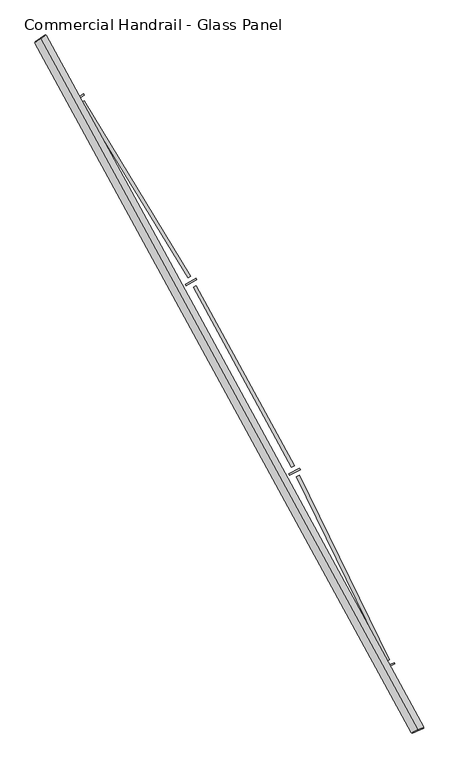
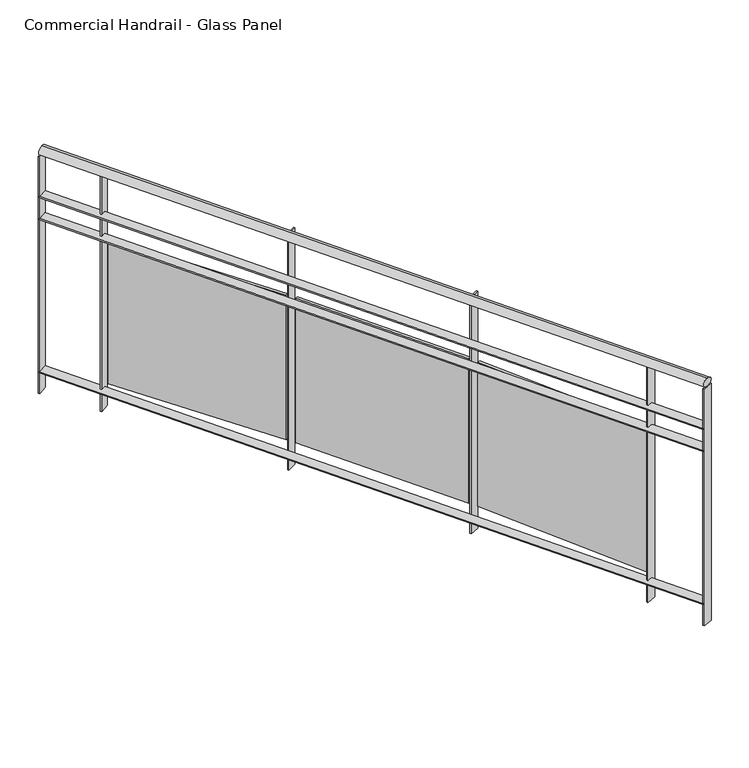
"""IFC4 building model written with IfcOpenShell, lengths in millimetres: railing geometry, Commercial Handrail - Glass Panel."""

from ifc_helpers import new_model, si_unit, point, frame, origin, place, context, project, spatial, polyline, circle_curve, ellipse_curve, trimmed, outline, extrude, source, transform, mapped, element, save
from ifc_brep_helpers import plane_surface, cylinder_surface, revolved_surface, advanced_brep


def commercial_handrail_glass_panel_49a42c38(model_context):
    return source(origin(), model_context, "Body", "SolidModel", [
        advanced_brep(
        [(152681.2087099, -42805.7971709, 6082.5), (154079.9485011, -45365.2391742, 6082.5), (154079.9485011, -45365.2391742, 6117.5), (152681.2087099, -42805.7971709, 6117.5)],
        [
            (0, 1, circle_curve(frame((138512.5563245, -52210.9198633, 6082.5), z_axis=(0.0, 0.0, -1.0), x_axis=(0.9154011077709024, 0.40254293173747885, 0.0)), 17006.0884179)),
            (1, 2, ellipse_curve(frame((154079.9485011, -45365.2391742, 6100.0), z_axis=(-0.4025429317374864, 0.9154011077708993, 0.0), x_axis=(0.9154011077708991, 0.4025429317374863, 0.0)), 25.0, 17.5)),
            (2, 3, circle_curve(frame((138512.5563245, -52210.9198633, 6117.5), z_axis=(0.0, 0.0, 1.0), x_axis=(0.9154011077709024, 0.40254293173747885, 0.0)), 17006.0884179)),
            (3, 0, ellipse_curve(frame((152681.2087099, -42805.7971709, 6100.0), z_axis=(0.5530444427532956, -0.8331517534877406, 0.0), x_axis=(0.8331517534877404, 0.5530444427532955, 0.0)), 25.0, 17.5)),
            (2, 1, ellipse_curve(frame((154079.9485011, -45365.2391742, 6100.0), z_axis=(-0.4025429317374864, 0.9154011077708993, 0.0), x_axis=(0.9154011077708991, 0.4025429317374863, 0.0)), 25.0, 17.5)),
            (0, 3, ellipse_curve(frame((152681.2087099, -42805.7971709, 6100.0), z_axis=(0.5530444427532956, -0.8331517534877406, 0.0), x_axis=(0.8331517534877404, 0.5530444427532955, 0.0)), 25.0, 17.5)),
        ],
        [
            revolved_surface(trimmed(ellipse_curve(frame((154079.9485011, -45365.2391742, 6100.0), z_axis=(0.40254293173747885, -0.9154011077709024, 0.0), x_axis=(0.0, 0.0, -1.0)), 17.5, 25.0), [point((154079.9485011, -45365.2391742, 6117.5))], [point((154079.9485011, -45365.2391742, 6082.5))], True, "CARTESIAN"), (138512.5563245, -52210.9198633, 6100.0), (0.0, 0.0, 1.0)),
            revolved_surface(trimmed(ellipse_curve(frame((154079.9485011, -45365.2391742, 6100.0), z_axis=(0.40254293173747885, -0.9154011077709024, 0.0), x_axis=(0.0, 0.0, -1.0)), 17.5, 25.0), [point((154079.9485011, -45365.2391742, 6082.5))], [point((154079.9485011, -45365.2391742, 6117.5))], True, "CARTESIAN"), (138512.5563245, -52210.9198633, 6100.0), (0.0, 0.0, 1.0)),
            plane_surface(frame((154079.9485011, -45365.2391742, 6100.0), z_axis=(0.4025429317374789, -0.9154011077709026, 0.0), x_axis=(0.9154011077709026, 0.4025429317374789, 0.0))),
            plane_surface(frame((152681.2087099, -42805.7971709, 6100.0), z_axis=(-0.5530444427532946, 0.8331517534877412, 0.0), x_axis=(0.8331517534877412, 0.5530444427532946, 0.0))),
        ],
        [
            (0, [[1, 2, 3, 4]]),
            (1, [[-3, 5, -1, 6]]),
            (2, [[-2, -5]]),
            (3, [[-6, -4]]),
        ],
    ),
        advanced_brep(
        [(152662.4627954, -42818.2406708, 5900.0), (154059.3519762, -45374.2963902, 5900.0), (154100.545026, -45356.1819583, 5900.0), (152699.9546243, -42793.3536709, 5900.0), (152662.4627954, -42818.2406708, 5894.0), (154059.3519762, -45374.2963902, 5894.0), (152699.9546243, -42793.3536709, 5894.0), (154100.545026, -45356.1819583, 5894.0)],
        [
            (0, 1, circle_curve(frame((138512.5563245, -52210.9198633, 5900.0), z_axis=(0.0, 0.0, -1.0), x_axis=(0.9154011077709024, 0.40254293173747885, 0.0)), 16983.5884179)),
            (1, 2),
            (2, 3, circle_curve(frame((138512.5563245, -52210.9198633, 5900.0), z_axis=(0.0, 0.0, 1.0), x_axis=(0.9154011077709024, 0.40254293173747885, 0.0)), 17028.5884179)),
            (3, 0),
            (4, 5, circle_curve(frame((138512.5563245, -52210.9198633, 5894.0), z_axis=(0.0, 0.0, -1.0), x_axis=(0.9154011077709024, 0.40254293173747885, 0.0)), 16983.5884179)),
            (5, 1),
            (0, 4),
            (6, 7, circle_curve(frame((138512.5563245, -52210.9198633, 5894.0), z_axis=(0.0, 0.0, -1.0), x_axis=(0.9154011077709024, 0.40254293173747885, 0.0)), 17028.5884179)),
            (7, 5),
            (4, 6),
            (2, 7),
            (6, 3),
        ],
        [
            plane_surface(frame((138512.5563245, -52210.9198633, 5900.0), z_axis=(0.0, 0.0, 1.0000000000000002), x_axis=(0.9154011077709026, 0.4025429317374789, 0.0))),
            revolved_surface(polyline([(154059.35197617073, -45374.296390135845, 5900.0), (154059.35197617073, -45374.296390135845, 5894.0)]), (138512.5563245, -52210.9198633, 5900.0), (0.0, 0.0, 1.0)),
            plane_surface(frame((138512.5563245, -52210.9198633, 5894.0), z_axis=(0.0, 0.0, -1.0000000000000002), x_axis=(0.9154011077709026, 0.4025429317374789, 0.0))),
            cylinder_surface(frame((138512.5563245, -52210.9198633, 5900.0), z_axis=(0.0, 0.0, 1.0), x_axis=(0.9154011077709024, 0.40254293173747885, 0.0)), 17028.5884179),
            plane_surface(frame((154079.9485011, -45365.2391742, 5900.0), z_axis=(0.4025429317374789, -0.9154011077709026, 0.0), x_axis=(0.9154011077709026, 0.4025429317374789, 0.0))),
            plane_surface(frame((152681.2087099, -42805.7971709, 5900.0), z_axis=(-0.5530444427532946, 0.8331517534877412, 0.0), x_axis=(0.8331517534877412, 0.5530444427532946, 0.0))),
        ],
        [
            (0, [[1, 2, 3, 4]]),
            (1, [[5, 6, -1, 7]]),
            (2, [[8, 9, -5, 10]]),
            (3, [[-3, 11, -8, 12]]),
            (4, [[-2, -6, -9, -11]]),
            (5, [[-12, -10, -7, -4]]),
        ],
    ),
        advanced_brep(
        [(152662.4627954, -42818.2406708, 5800.0), (154059.3519762, -45374.2963902, 5800.0), (154100.545026, -45356.1819583, 5800.0), (152699.9546243, -42793.3536709, 5800.0), (152662.4627954, -42818.2406708, 5794.0), (154059.3519762, -45374.2963902, 5794.0), (152699.9546243, -42793.3536709, 5794.0), (154100.545026, -45356.1819583, 5794.0)],
        [
            (0, 1, circle_curve(frame((138512.5563245, -52210.9198633, 5800.0), z_axis=(0.0, 0.0, -1.0), x_axis=(0.9154011077709024, 0.40254293173747885, 0.0)), 16983.5884179)),
            (1, 2),
            (2, 3, circle_curve(frame((138512.5563245, -52210.9198633, 5800.0), z_axis=(0.0, 0.0, 1.0), x_axis=(0.9154011077709024, 0.40254293173747885, 0.0)), 17028.5884179)),
            (3, 0),
            (4, 5, circle_curve(frame((138512.5563245, -52210.9198633, 5794.0), z_axis=(0.0, 0.0, -1.0), x_axis=(0.9154011077709024, 0.40254293173747885, 0.0)), 16983.5884179)),
            (5, 1),
            (0, 4),
            (6, 7, circle_curve(frame((138512.5563245, -52210.9198633, 5794.0), z_axis=(0.0, 0.0, -1.0), x_axis=(0.9154011077709024, 0.40254293173747885, 0.0)), 17028.5884179)),
            (7, 5),
            (4, 6),
            (2, 7),
            (6, 3),
        ],
        [
            plane_surface(frame((138512.5563245, -52210.9198633, 5800.0), z_axis=(0.0, 0.0, 1.0000000000000002), x_axis=(0.9154011077709026, 0.4025429317374789, 0.0))),
            revolved_surface(polyline([(154059.35197617073, -45374.296390135845, 5800.0), (154059.35197617073, -45374.296390135845, 5794.0)]), (138512.5563245, -52210.9198633, 5800.0), (0.0, 0.0, 1.0)),
            plane_surface(frame((138512.5563245, -52210.9198633, 5794.0), z_axis=(0.0, 0.0, -1.0000000000000002), x_axis=(0.9154011077709026, 0.4025429317374789, 0.0))),
            cylinder_surface(frame((138512.5563245, -52210.9198633, 5800.0), z_axis=(0.0, 0.0, 1.0), x_axis=(0.9154011077709024, 0.40254293173747885, 0.0)), 17028.5884179),
            plane_surface(frame((154079.9485011, -45365.2391742, 5800.0), z_axis=(0.4025429317374789, -0.9154011077709026, 0.0), x_axis=(0.9154011077709026, 0.4025429317374789, 0.0))),
            plane_surface(frame((152681.2087099, -42805.7971709, 5800.0), z_axis=(-0.5530444427532946, 0.8331517534877412, 0.0), x_axis=(0.8331517534877412, 0.5530444427532946, 0.0))),
        ],
        [
            (0, [[1, 2, 3, 4]]),
            (1, [[5, 6, -1, 7]]),
            (2, [[8, 9, -5, 10]]),
            (3, [[-3, 11, -8, 12]]),
            (4, [[-2, -6, -9, -11]]),
            (5, [[-12, -10, -7, -4]]),
        ],
    ),
        advanced_brep(
        [(152662.4627954, -42818.2406708, 5100.0), (154059.3519762, -45374.2963902, 5100.0), (154100.545026, -45356.1819583, 5100.0), (152699.9546243, -42793.3536709, 5100.0), (152662.4627954, -42818.2406708, 5094.0), (154059.3519762, -45374.2963902, 5094.0), (152699.9546243, -42793.3536709, 5094.0), (154100.545026, -45356.1819583, 5094.0)],
        [
            (0, 1, circle_curve(frame((138512.5563245, -52210.9198633, 5100.0), z_axis=(0.0, 0.0, -1.0), x_axis=(0.9154011077709024, 0.40254293173747885, 0.0)), 16983.5884179)),
            (1, 2),
            (2, 3, circle_curve(frame((138512.5563245, -52210.9198633, 5100.0), z_axis=(0.0, 0.0, 1.0), x_axis=(0.9154011077709024, 0.40254293173747885, 0.0)), 17028.5884179)),
            (3, 0),
            (4, 5, circle_curve(frame((138512.5563245, -52210.9198633, 5094.0), z_axis=(0.0, 0.0, -1.0), x_axis=(0.9154011077709024, 0.40254293173747885, 0.0)), 16983.5884179)),
            (5, 1),
            (0, 4),
            (6, 7, circle_curve(frame((138512.5563245, -52210.9198633, 5094.0), z_axis=(0.0, 0.0, -1.0), x_axis=(0.9154011077709024, 0.40254293173747885, 0.0)), 17028.5884179)),
            (7, 5),
            (4, 6),
            (2, 7),
            (6, 3),
        ],
        [
            plane_surface(frame((138512.5563245, -52210.9198633, 5100.0), z_axis=(0.0, 0.0, 1.0000000000000002), x_axis=(0.9154011077709026, 0.4025429317374789, 0.0))),
            revolved_surface(polyline([(154059.35197617073, -45374.296390135845, 5100.0), (154059.35197617073, -45374.296390135845, 5094.0)]), (138512.5563245, -52210.9198633, 5100.0), (0.0, 0.0, 1.0)),
            plane_surface(frame((138512.5563245, -52210.9198633, 5094.0), z_axis=(0.0, 0.0, -1.0000000000000002), x_axis=(0.9154011077709026, 0.4025429317374789, 0.0))),
            cylinder_surface(frame((138512.5563245, -52210.9198633, 5100.0), z_axis=(0.0, 0.0, 1.0), x_axis=(0.9154011077709024, 0.40254293173747885, 0.0)), 17028.5884179),
            plane_surface(frame((154079.9485011, -45365.2391742, 5100.0), z_axis=(0.4025429317374789, -0.9154011077709026, 0.0), x_axis=(0.9154011077709026, 0.4025429317374789, 0.0))),
            plane_surface(frame((152681.2087099, -42805.7971709, 5100.0), z_axis=(-0.5530444427532946, 0.8331517534877412, 0.0), x_axis=(0.8331517534877412, 0.5530444427532946, 0.0))),
        ],
        [
            (0, [[1, 2, 3, 4]]),
            (1, [[5, 6, -1, 7]]),
            (2, [[8, 9, -5, 10]]),
            (3, [[-3, 11, -8, 12]]),
            (4, [[-2, -6, -9, -11]]),
            (5, [[-12, -10, -7, -4]]),
        ],
    ),
        extrude(outline(polyline([(152843.9746071, -43014.0028518), (152806.1064717, -43038.3134324), (152802.865061, -43033.2643477), (152840.7331963, -43008.9537671), (152843.9746071, -43014.0028518)])), frame((0.0, 0.0, 5000.0), z_axis=(0.0, 0.0, 1.0), x_axis=(1.0, 0.0, 0.0)), (0.0, 0.0, 1.0), 1082.1192282),
        extrude(outline(polyline([(153228.1233935, -43690.3863087), (152832.6997466, -43041.3561558), (152842.9475911, -43035.1126245), (153238.371238, -43684.1427775), (153228.1233935, -43690.3863087)])), frame((0.0, 0.0, 5120.0), z_axis=(0.0, 0.0, 1.0), x_axis=(1.0, 0.0, 0.0)), (0.0, 0.0, 1.0), 660.0),
        extrude(outline(polyline([(153260.6017897, -43698.1067288), (153221.6323507, -43720.6096803), (153218.6319572, -43715.4137551), (153257.6013961, -43692.9108036), (153260.6017897, -43698.1067288)])), frame((0.0, 0.0, 5000.0), z_axis=(0.0, 0.0, 1.0), x_axis=(1.0, 0.0, 0.0)), (0.0, 0.0, 1.0), 1082.1192282),
        extrude(outline(polyline([(153612.5189238, -44391.8063767), (153248.0531233, -43724.8995764), (153258.5832307, -43719.1448533), (153623.0490312, -44386.0516536), (153612.5189238, -44391.8063767)])), frame((0.0, 0.0, 5120.0), z_axis=(0.0, 0.0, 1.0), x_axis=(1.0, 0.0, 0.0)), (0.0, 0.0, 1.0), 660.0),
        extrude(outline(polyline([(153644.5983402, -44401.0455404), (153604.6138191, -44421.6910742), (153601.8610812, -44416.3598047), (153641.8456024, -44395.7142709), (153644.5983402, -44401.0455404)])), frame((0.0, 0.0, 5000.0), z_axis=(0.0, 0.0, 1.0), x_axis=(1.0, 0.0, 0.0)), (0.0, 0.0, 1.0), 1082.1192282),
        extrude(outline(polyline([(153963.5051916, -45110.5265416), (153630.8036324, -44427.2186516), (153641.5927043, -44421.965469), (153974.2942635, -45105.273359), (153963.5051916, -45110.5265416)])), frame((0.0, 0.0, 5120.0), z_axis=(0.0, 0.0, 1.0), x_axis=(1.0, 0.0, 0.0)), (0.0, 0.0, 1.0), 660.0),
        extrude(outline(polyline([(153995.1146513, -45121.2640068), (153954.2035152, -45140.0064439), (153951.7045236, -45134.5516257), (153992.6156597, -45115.8091887), (153995.1146513, -45121.2640068)])), frame((0.0, 0.0, 5000.0), z_axis=(0.0, 0.0, 1.0), x_axis=(1.0, 0.0, 0.0)), (0.0, 0.0, 1.0), 1082.1192282),
        extrude(outline(polyline([(152701.6137576, -42795.8531262), (152664.1219287, -42820.7401261), (152660.8036621, -42815.7412156), (152698.295491, -42790.8542156), (152701.6137576, -42795.8531262)])), frame((0.0, 0.0, 5000.0), z_axis=(0.0, 0.0, 1.0), x_axis=(1.0, 0.0, 0.0)), (0.0, 0.0, 1.0), 1082.1192282),
        extrude(outline(polyline([(154101.7526548, -45358.9281616), (154060.559605, -45377.0425935), (154058.1443474, -45371.5501869), (154099.3373972, -45353.4357549), (154101.7526548, -45358.9281616)])), frame((0.0, 0.0, 5000.0), z_axis=(0.0, 0.0, 1.0), x_axis=(1.0, 0.0, 0.0)), (0.0, 0.0, 1.0), 1082.1192282),
    ])


if __name__ == "__main__":
    model = new_model("IFC4")
    model_context = context("Model", 3, world=origin())
    ifc_project = project(units=[si_unit("LENGTHUNIT", "METRE", prefix="MILLI")], contexts=[model_context])
    site = spatial("IfcSite", under=ifc_project)
    building = spatial("IfcBuilding", under=site)
    placement = place(None, origin())
    commercial_handrail_glass_panel_shape = commercial_handrail_glass_panel_49a42c38(model_context)
    element("IfcRailing", 1, ObjectType="Commercial Handrail - Glass Panel", at=placement, inside=building, context=model_context, shape_type="MappedRepresentation", body=[
        mapped(commercial_handrail_glass_panel_shape, transform((0.0, 0.0, 0.0), x_axis=(1.0, 0.0, 0.0), y_axis=(0.0, 1.0, 0.0), z_axis=(0.0, 0.0, 1.0))),
    ])
    save(model, "model.ifc")
